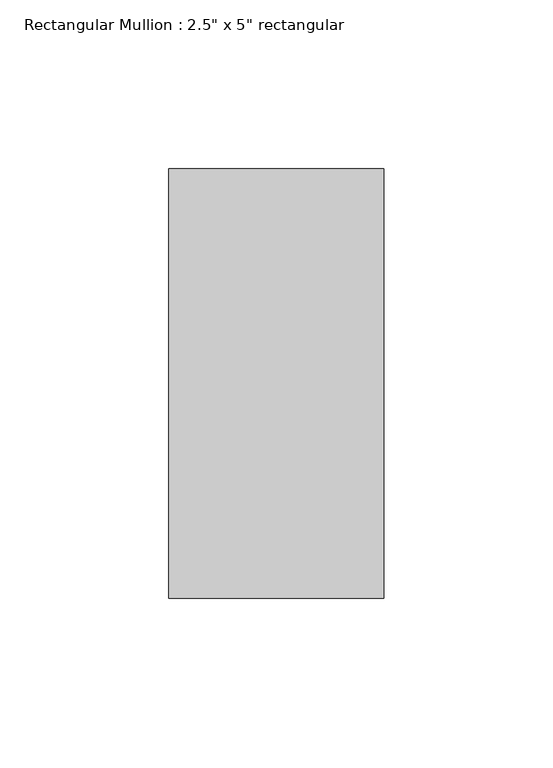
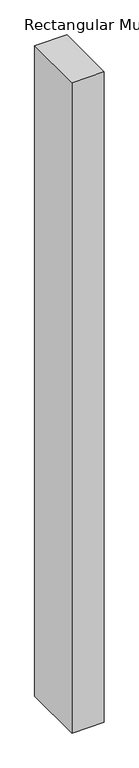
"""IFC4 building model written with IfcOpenShell, lengths in millimetres: member geometry."""

from ifc_helpers import new_model, si_unit, frame, origin, place, context, project, spatial, polyline, outline, extrude, source, transform, mapped, element, save


def member_e27e8de2(model_context):
    return source(origin(), model_context, "Body", "SweptSolid", [
        extrude(outline(polyline([(0.0, 63.5), (0.0, -63.5), (-63.5, -63.5), (-63.5, 63.5), (0.0, 63.5)])), frame((0.0, 0.0, -1354.75), z_axis=(0.0, 0.0, 1.0), x_axis=(1.0, 0.0, 0.0)), (0.0, 0.0, 1.0), 1354.75),
    ])


if __name__ == "__main__":
    model = new_model("IFC4")
    model_context = context("Model", 3, world=origin())
    ifc_project = project(units=[si_unit("LENGTHUNIT", "METRE", prefix="MILLI")], contexts=[model_context])
    site = spatial("IfcSite", under=ifc_project)
    building = spatial("IfcBuilding", under=site)
    placement = place(None, origin())
    member_shape = member_e27e8de2(model_context)
    element("IfcMember", 1, ObjectType="Rectangular Mullion : 2.5\" x 5\" rectangular", at=placement, inside=building, context=model_context, shape_type="MappedRepresentation", body=[
        mapped(member_shape, transform((0.0, 0.0, 0.0), x_axis=(1.0, 0.0, 0.0), y_axis=(0.0, 1.0, 0.0), z_axis=(0.0, 0.0, 1.0))),
    ])
    save(model, "model.ifc")
